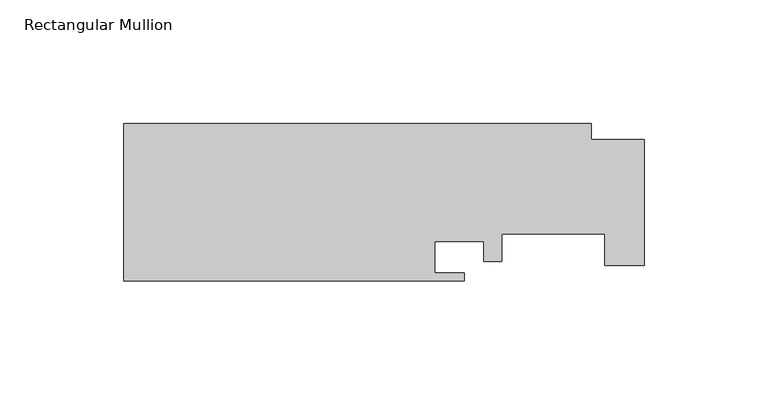
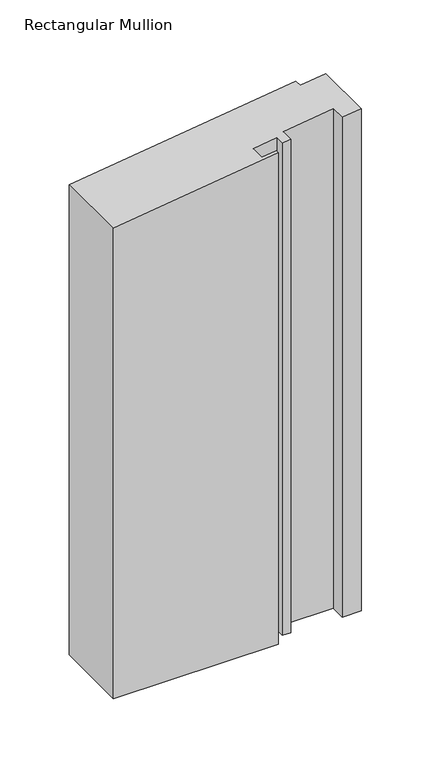
"""IFC4 building model written with IfcOpenShell, lengths in millimetres: member geometry, Rectangular Mullion."""

from ifc_helpers import new_model, si_unit, origin, place, context, project, spatial, faceted_brep, source, transform, mapped, element, save


def rectangular_mullion_232683a3(model_context):
    return source(origin(), model_context, "Body", "Brep", [
        faceted_brep([(-51.9636375, -19.05, -6.9231005), (-189.3014375, -19.05, -25.2205762), (-189.3014375, -19.05, -439.0594927), (-51.9636375, -19.05, -439.0594927), (-51.9636375, -15.875, -6.9231005), (-51.9636375, -15.875, -439.0594927), (-63.8762375, -15.875, -8.5102128), (-63.8762375, -15.875, -439.0594927), (-63.8762375, -3.175, -8.5102128), (-63.8762375, -3.175, -439.0594927), (-44.0642375, -3.175, -5.8706657), (-44.0642375, -3.175, -439.0594927), (-44.0642375, -11.1252, -5.8706657), (-44.0642375, -11.1252, -439.0594927), (-36.9014375, -11.1252, -4.9163679), (-36.9014375, -11.1252, -439.0594927), (-36.9014375, 0.0, -4.9163679), (-36.9014375, 0.0, -439.0594927), (4.7545625, 0.0, 0.633449), (4.7545625, 0.0, -439.0594927), (4.7545625, -12.7, 0.633449), (4.7545625, -12.7, -439.0594927), (20.6295625, -12.7, 2.7484707), (20.6295625, -12.7, -439.0594927), (20.6295625, 38.1, 2.7484707), (20.6295625, 38.1, -439.0594927), (-0.6556375, 38.1, -0.0873504), (-0.6556375, 38.1, -439.0594927), (-0.6556375, 44.45, -0.0873504), (-0.6556375, 44.45, -439.0594927), (-189.3014375, 44.45, -25.2205762), (-189.3014375, 44.45, -439.0594927)], [[[0, 1, 2, 3]], [[4, 0, 3, 5]], [[6, 4, 5, 7]], [[8, 6, 7, 9]], [[10, 8, 9, 11]], [[12, 10, 11, 13]], [[14, 12, 13, 15]], [[16, 14, 15, 17]], [[18, 16, 17, 19]], [[20, 18, 19, 21]], [[22, 20, 21, 23]], [[24, 22, 23, 25]], [[26, 24, 25, 27]], [[28, 26, 27, 29]], [[30, 28, 29, 31]], [[1, 30, 31, 2]], [[1, 0, 4, 6, 8, 10, 12, 14, 16, 18, 20, 22, 24, 26, 28, 30]], [[2, 31, 29, 27, 25, 23, 21, 19, 17, 15, 13, 11, 9, 7, 5, 3]]]),
    ])


if __name__ == "__main__":
    model = new_model("IFC4")
    model_context = context("Model", 3, world=origin())
    ifc_project = project(units=[si_unit("LENGTHUNIT", "METRE", prefix="MILLI")], contexts=[model_context])
    site = spatial("IfcSite", under=ifc_project)
    building = spatial("IfcBuilding", under=site)
    placement = place(None, origin())
    rectangular_mullion_shape = rectangular_mullion_232683a3(model_context)
    element("IfcMember", 1, ObjectType="Rectangular Mullion", at=placement, inside=building, context=model_context, shape_type="MappedRepresentation", body=[
        mapped(rectangular_mullion_shape, transform((0.0, 0.0, 0.0), x_axis=(1.0, 0.0, 0.0), y_axis=(0.0, 1.0, 0.0), z_axis=(0.0, 0.0, 1.0))),
    ])
    save(model, "model.ifc")
